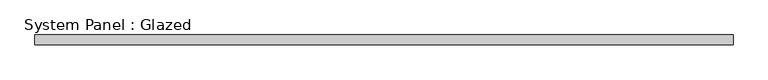
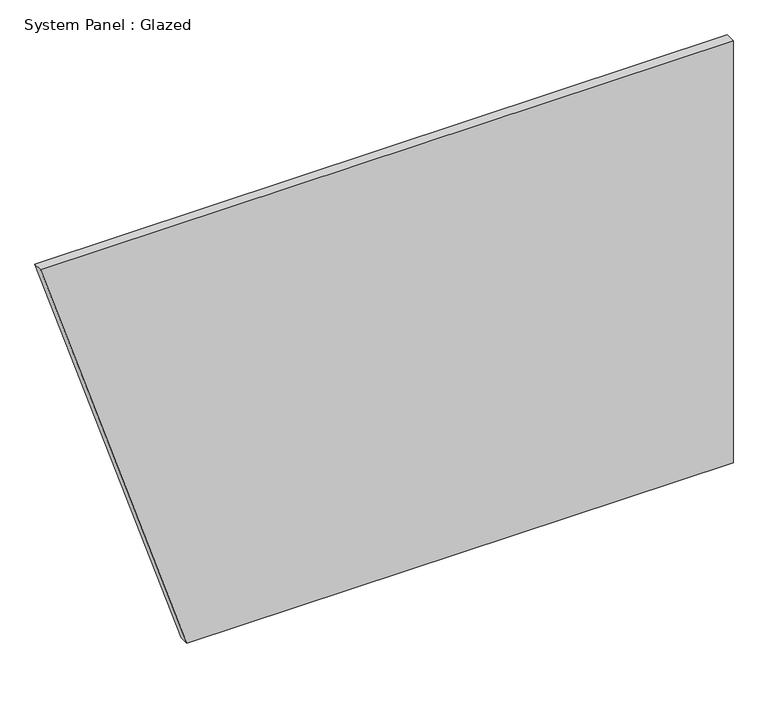
"""IFC4 building model written with IfcOpenShell, lengths in millimetres: plate geometry, System Panel : Glazed."""

from ifc_helpers import new_model, si_unit, frame, origin, place, context, project, spatial, polyline, outline, extrude, source, transform, mapped, element, save


def system_panel_glazed_ffb00798(model_context):
    return source(origin(), model_context, "Body", "SweptSolid", [
        extrude(outline(polyline([(0.0, -518.0574785), (0.0, 896.9613567), (1155.7, 896.9613567), (1155.7, -896.9613567), (0.0, -518.0574785)])), frame((0.0, -44.45, 0.0), z_axis=(0.0, 1.0, 0.0), x_axis=(0.0, 0.0, 1.0)), (0.0, 0.0, 1.0), 25.4),
    ])


if __name__ == "__main__":
    model = new_model("IFC4")
    model_context = context("Model", 3, world=origin())
    ifc_project = project(units=[si_unit("LENGTHUNIT", "METRE", prefix="MILLI")], contexts=[model_context])
    site = spatial("IfcSite", under=ifc_project)
    building = spatial("IfcBuilding", under=site)
    placement = place(None, origin())
    system_panel_glazed_shape = system_panel_glazed_ffb00798(model_context)
    element("IfcPlate", 1, ObjectType="System Panel : Glazed", at=placement, inside=building, context=model_context, shape_type="MappedRepresentation", body=[
        mapped(system_panel_glazed_shape, transform((0.0, 0.0, 0.0), x_axis=(1.0, 0.0, 0.0), y_axis=(0.0, 1.0, 0.0), z_axis=(0.0, 0.0, 1.0))),
    ])
    save(model, "model.ifc")
